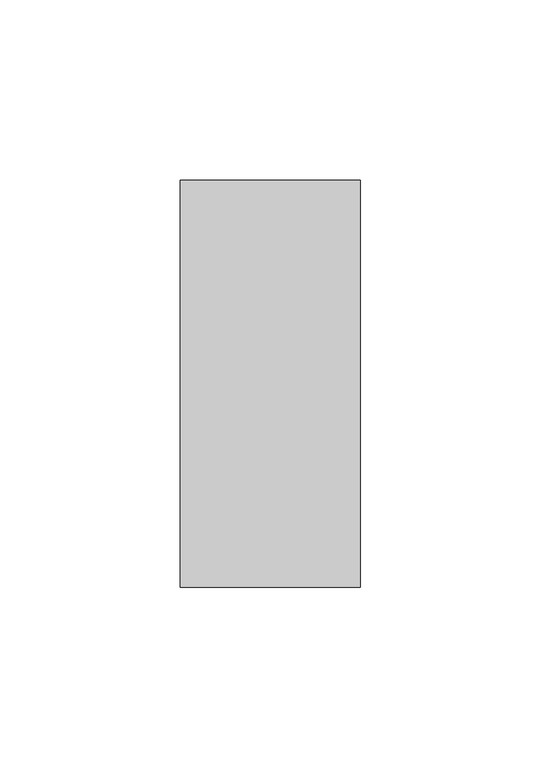
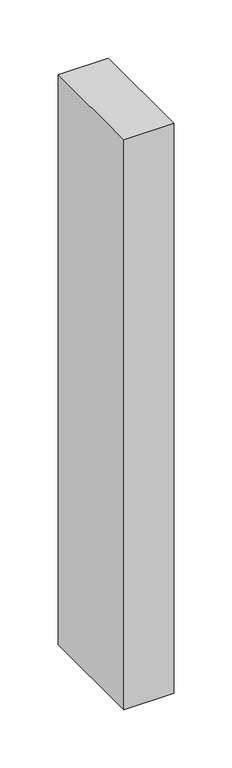
"""IFC4 building model written with IfcOpenShell, lengths in millimetres: member geometry."""

from ifc_helpers import new_model, si_unit, frame, origin, place, context, project, spatial, polyline, outline, extrude, source, transform, mapped, element, save


def member_6f0b51ec(model_context):
    return source(origin(), model_context, "Body", "SweptSolid", [
        extrude(outline(polyline([(-25.0, -22.0), (-25.0, 91.0), (25.0, 91.0), (25.0, -22.0), (-25.0, -22.0)])), frame((0.0, 0.0, -600.0), z_axis=(0.0, 0.0, 1.0), x_axis=(1.0, 0.0, 0.0)), (0.0, 0.0, 1.0), 600.0),
    ])


if __name__ == "__main__":
    model = new_model("IFC4")
    model_context = context("Model", 3, world=origin())
    ifc_project = project(units=[si_unit("LENGTHUNIT", "METRE", prefix="MILLI")], contexts=[model_context])
    site = spatial("IfcSite", under=ifc_project)
    building = spatial("IfcBuilding", under=site)
    placement = place(None, origin())
    member_shape = member_6f0b51ec(model_context)
    element("IfcMember", 1, at=placement, inside=building, context=model_context, shape_type="MappedRepresentation", body=[
        mapped(member_shape, transform((0.0, 0.0, 0.0), x_axis=(1.0, 0.0, 0.0), y_axis=(0.0, 1.0, 0.0), z_axis=(0.0, 0.0, 1.0))),
    ])
    save(model, "model.ifc")
